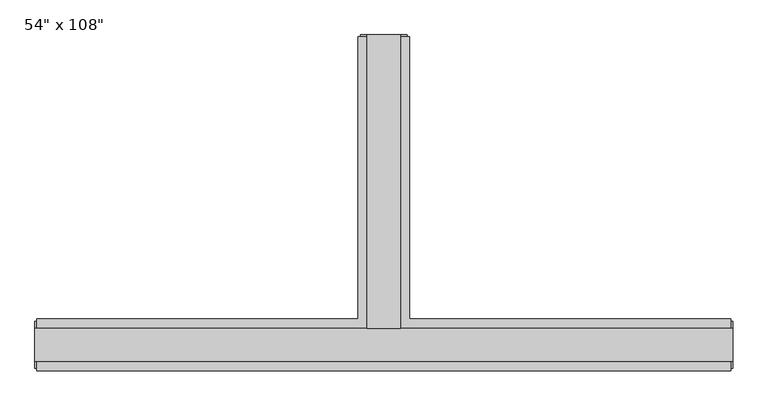
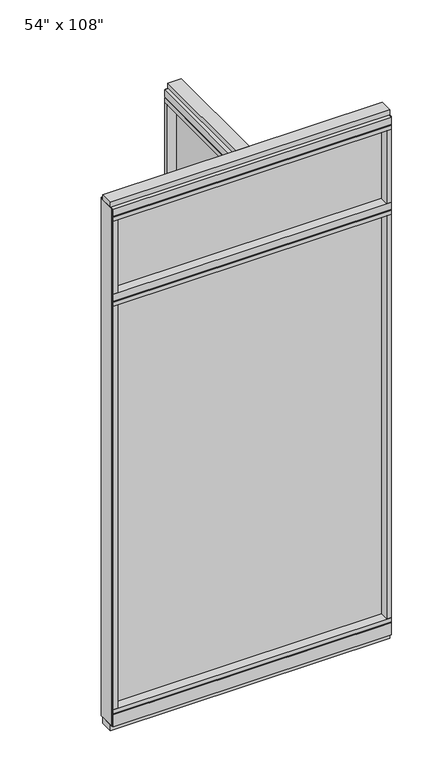
"""IFC4 building model written with IfcOpenShell, lengths in millimetres: furniture geometry."""

from ifc_helpers import new_model, si_unit, frame, origin, origin_with_axes, place, context, project, spatial, polyline, outline, extrude, faceted_brep, source, transform, mapped, element, save


def furniture_a7787f1a(model_context):
    return source(origin(), model_context, "Body", "SolidModel", [
        extrude(outline(polyline([(-65.1165229, 0.5622784), (-65.1165229, 578.9202784), (-54.9565229, 578.9202784), (-54.9565229, 0.5622784), (-65.1165229, 0.5622784)])), frame((0.0, 0.0, 2276.475), z_axis=(0.0, 0.0, 1.0), x_axis=(1.0, 0.0, 0.0)), (0.0, 0.0, 1.0), 355.6),
        extrude(outline(polyline([(599.6014771, -9.5977216), (-719.6745229, -9.5977216), (-719.6745229, 0.5622784), (599.6014771, 0.5622784), (599.6014771, -9.5977216)])), frame((0.0, 0.0, 2276.475), z_axis=(0.0, 0.0, 1.0), x_axis=(1.0, 0.0, 0.0)), (0.0, 0.0, 1.0), 355.6),
        extrude(outline(polyline([(-65.1165229, 0.5622784), (-65.1165229, 578.9202784), (-54.9565229, 578.9202784), (-54.9565229, 0.5622784), (-65.1165229, 0.5622784)])), frame((0.0, 0.0, 120.65), z_axis=(0.0, 0.0, 1.0), x_axis=(1.0, 0.0, 0.0)), (0.0, 0.0, 1.0), 2114.677),
        extrude(outline(polyline([(599.6014771, -9.5977216), (-719.6745229, -9.5977216), (-719.6745229, 0.5622784), (599.6014771, 0.5622784), (599.6014771, -9.5977216)])), frame((0.0, 0.0, 120.523), z_axis=(0.0, 0.0, 1.0), x_axis=(1.0, 0.0, 0.0)), (0.0, 0.0, 1.0), 2114.677),
        extrude(outline(polyline([(-110.8365229, 601.1452784), (-9.2365229, 601.1452784), (-9.2365229, 46.2822784), (621.8264771, 46.2822784), (621.8264771, -55.3177216), (-741.8995229, -55.3177216), (-741.8995229, 46.2822784), (-110.8365229, 46.2822784), (-110.8365229, 601.1452784)])), frame((0.0, 0.0, 2654.3), z_axis=(0.0, 0.0, 1.0), x_axis=(1.0, 0.0, 0.0)), (0.0, 0.0, 1.0), 22.225),
        faceted_brep([(-105.8835229, 46.2822784, 2681.478), (-105.8835229, 46.2822784, 2676.525), (-14.1895229, 46.2822784, 2676.525), (-14.1895229, 46.2822784, 2681.478), (-9.2365229, 601.1452784, 2681.478), (-14.1895229, 601.1452784, 2681.478), (-14.1895229, 601.1452784, 2676.525), (-105.8835229, 601.1452784, 2676.525), (-105.8835229, 601.1452784, 2681.478), (-110.8365229, 601.1452784, 2681.478), (-110.8365229, 601.1452784, 2717.8), (-9.2365229, 601.1452784, 2717.8), (-9.2365229, 46.2822784, 2681.478), (621.8264771, 46.2822784, 2681.478), (621.8264771, 41.3292784, 2681.478), (-741.8995229, 41.3292784, 2681.478), (-741.8995229, 46.2822784, 2681.478), (-110.8365229, 46.2822784, 2681.478), (-110.8365229, 46.2822784, 2717.8), (-741.8995229, 46.2822784, 2717.8), (-741.8995229, -55.3177216, 2717.8), (621.8264771, -55.3177216, 2717.8), (621.8264771, 46.2822784, 2717.8), (-9.2365229, 46.2822784, 2717.8), (-741.8995229, -55.3177216, 2681.478), (-741.8995229, 41.3292784, 2676.525), (-741.8995229, -50.3647216, 2676.525), (-741.8995229, -50.3647216, 2681.478), (621.8264771, -55.3177216, 2681.478), (621.8264771, -50.3647216, 2681.478), (621.8264771, -50.3647216, 2676.525), (621.8264771, 41.3292784, 2676.525)], [[[0, 1, 2, 3]], [[4, 5, 6, 7, 8, 9, 10, 11]], [[5, 4, 12, 13, 14, 15, 16, 17, 9, 8, 0, 3]], [[3, 2, 6, 5]], [[2, 1, 7, 6]], [[1, 0, 8, 7]], [[10, 9, 17, 18]], [[11, 10, 18, 19, 20, 21, 22, 23]], [[4, 11, 23, 12]], [[24, 20, 19, 16, 15, 25, 26, 27]], [[28, 29, 30, 31, 14, 13, 22, 21]], [[24, 27, 29, 28]], [[16, 19, 18, 17]], [[22, 13, 12, 23]], [[20, 24, 28, 21]], [[25, 15, 14, 31]], [[26, 25, 31, 30]], [[27, 26, 30, 29]]]),
        extrude(outline(polyline([(-110.8365229, 601.1452784), (-9.2365229, 601.1452784), (-9.2365229, 46.2822784), (621.8264771, 46.2822784), (621.8264771, -55.3177216), (-741.8995229, -55.3177216), (-741.8995229, 46.2822784), (-110.8365229, 46.2822784), (-110.8365229, 601.1452784)])), frame((0.0, 0.0, 2212.975), z_axis=(0.0, 0.0, 1.0), x_axis=(1.0, 0.0, 0.0)), (0.0, 0.0, 1.0), 22.225),
        faceted_brep([(-105.8835229, 46.2822784, 2240.153), (-105.8835229, 46.2822784, 2235.2), (-14.1895229, 46.2822784, 2235.2), (-14.1895229, 46.2822784, 2240.153), (-9.2365229, 601.1452784, 2240.153), (-14.1895229, 601.1452784, 2240.153), (-14.1895229, 601.1452784, 2235.2), (-105.8835229, 601.1452784, 2235.2), (-105.8835229, 601.1452784, 2240.153), (-110.8365229, 601.1452784, 2240.153), (-110.8365229, 601.1452784, 2276.475), (-9.2365229, 601.1452784, 2276.475), (-9.2365229, 46.2822784, 2240.153), (621.8264771, 46.2822784, 2240.153), (621.8264771, 41.3292784, 2240.153), (-741.8995229, 41.3292784, 2240.153), (-741.8995229, 46.2822784, 2240.153), (-110.8365229, 46.2822784, 2240.153), (-110.8365229, 46.2822784, 2276.475), (-741.8995229, 46.2822784, 2276.475), (-741.8995229, -55.3177216, 2276.475), (621.8264771, -55.3177216, 2276.475), (621.8264771, 46.2822784, 2276.475), (-9.2365229, 46.2822784, 2276.475), (-741.8995229, -55.3177216, 2240.153), (-741.8995229, 41.3292784, 2235.2), (-741.8995229, -50.3647216, 2235.2), (-741.8995229, -50.3647216, 2240.153), (621.8264771, -55.3177216, 2240.153), (621.8264771, -50.3647216, 2240.153), (621.8264771, -50.3647216, 2235.2), (621.8264771, 41.3292784, 2235.2)], [[[0, 1, 2, 3]], [[4, 5, 6, 7, 8, 9, 10, 11]], [[5, 4, 12, 13, 14, 15, 16, 17, 9, 8, 0, 3]], [[3, 2, 6, 5]], [[2, 1, 7, 6]], [[1, 0, 8, 7]], [[10, 9, 17, 18]], [[11, 10, 18, 19, 20, 21, 22, 23]], [[4, 11, 23, 12]], [[24, 20, 19, 16, 15, 25, 26, 27]], [[28, 29, 30, 31, 14, 13, 22, 21]], [[24, 27, 29, 28]], [[27, 26, 30, 29]], [[26, 25, 31, 30]], [[25, 15, 14, 31]], [[16, 19, 18, 17]], [[22, 13, 12, 23]], [[20, 24, 28, 21]]]),
        faceted_brep([(-14.1895229, 46.2822784, 93.345), (-14.1895229, 46.2822784, 98.298), (-105.8835229, 46.2822784, 98.298), (-105.8835229, 46.2822784, 93.345), (-9.2365229, 601.1452784, 93.345), (-9.2365229, 601.1452784, 31.75), (-110.8365229, 601.1452784, 31.75), (-110.8365229, 601.1452784, 93.345), (-105.8835229, 601.1452784, 93.345), (-105.8835229, 601.1452784, 98.298), (-14.1895229, 601.1452784, 98.298), (-14.1895229, 601.1452784, 93.345), (-110.8365229, 46.2822784, 93.345), (-741.8995229, 46.2822784, 93.345), (-741.8995229, 41.3292784, 93.345), (621.8264771, 41.3292784, 93.345), (621.8264771, 46.2822784, 93.345), (-9.2365229, 46.2822784, 93.345), (-110.8365229, 46.2822784, 31.75), (-9.2365229, 46.2822784, 31.75), (621.8264771, 46.2822784, 31.75), (621.8264771, -55.3177216, 31.75), (-741.8995229, -55.3177216, 31.75), (-741.8995229, 46.2822784, 31.75), (621.8264771, -55.3177216, 93.345), (621.8264771, 41.3292784, 98.298), (621.8264771, -50.3647216, 98.298), (621.8264771, -50.3647216, 93.345), (-741.8995229, -55.3177216, 93.345), (-741.8995229, -50.3647216, 93.345), (-741.8995229, -50.3647216, 98.298), (-741.8995229, 41.3292784, 98.298)], [[[0, 1, 2, 3]], [[4, 5, 6, 7, 8, 9, 10, 11]], [[4, 11, 0, 3, 8, 7, 12, 13, 14, 15, 16, 17]], [[1, 0, 11, 10]], [[2, 1, 10, 9]], [[3, 2, 9, 8]], [[7, 6, 18, 12]], [[6, 5, 19, 20, 21, 22, 23, 18]], [[5, 4, 17, 19]], [[24, 21, 20, 16, 15, 25, 26, 27]], [[28, 29, 30, 31, 14, 13, 23, 22]], [[24, 27, 29, 28]], [[16, 20, 19, 17]], [[23, 13, 12, 18]], [[21, 24, 28, 22]], [[25, 15, 14, 31]], [[26, 25, 31, 30]], [[27, 26, 30, 29]]]),
        extrude(outline(polyline([(-110.8365229, 601.1452784), (-9.2365229, 601.1452784), (-9.2365229, 46.2822784), (621.8264771, 46.2822784), (621.8264771, -55.3177216), (-741.8995229, -55.3177216), (-741.8995229, 46.2822784), (-110.8365229, 46.2822784), (-110.8365229, 601.1452784)])), frame((0.0, 0.0, 98.298), z_axis=(0.0, 0.0, 1.0), x_axis=(1.0, 0.0, 0.0)), (0.0, 0.0, 1.0), 22.225),
        extrude(outline(polyline([(-9.2365229, 601.1452784), (-9.2365229, 578.9202784), (-110.8365229, 578.9202784), (-110.8365229, 601.1452784), (-9.2365229, 601.1452784)])), frame((0.0, 0.0, 2276.475), z_axis=(0.0, 0.0, 1.0), x_axis=(1.0, 0.0, 0.0)), (0.0, 0.0, 1.0), 377.825),
        extrude(outline(polyline([(599.6014771, -55.3177216), (599.6014771, 46.2822784), (621.8264771, 46.2822784), (621.8264771, -55.3177216), (599.6014771, -55.3177216)])), frame((0.0, 0.0, 2276.475), z_axis=(0.0, 0.0, 1.0), x_axis=(1.0, 0.0, 0.0)), (0.0, 0.0, 1.0), 377.825),
        extrude(outline(polyline([(-719.6745229, -55.3177216), (-741.8995229, -55.3177216), (-741.8995229, 46.2822784), (-719.6745229, 46.2822784), (-719.6745229, -55.3177216)])), frame((0.0, 0.0, 2276.475), z_axis=(0.0, 0.0, 1.0), x_axis=(1.0, 0.0, 0.0)), (0.0, 0.0, 1.0), 377.825),
        extrude(outline(polyline([(-27.5245229, 27.9942784), (-92.5485229, 27.9942784), (-92.5485229, 605.0822784), (-27.5245229, 605.0822784), (-27.5245229, 27.9942784)])), origin_with_axes(), (0.0, 0.0, 1.0), 31.75),
        extrude(outline(polyline([(-9.2365229, 601.1452784), (-9.2365229, 578.9202784), (-110.8365229, 578.9202784), (-110.8365229, 601.1452784), (-9.2365229, 601.1452784)])), frame((0.0, 0.0, 120.523), z_axis=(0.0, 0.0, 1.0), x_axis=(1.0, 0.0, 0.0)), (0.0, 0.0, 1.0), 2092.452),
        extrude(outline(polyline([(-14.1895229, 605.0822784), (-14.1895229, 601.1452784), (-105.8835229, 601.1452784), (-105.8835229, 605.0822784), (-14.1895229, 605.0822784)])), frame((0.0, 0.0, 31.75), z_axis=(0.0, 0.0, 1.0), x_axis=(1.0, 0.0, 0.0)), (0.0, 0.0, 1.0), 2686.05),
        extrude(outline(polyline([(-27.5245229, 27.9942784), (-92.5485229, 27.9942784), (-92.5485229, 605.0822784), (-27.5245229, 605.0822784), (-27.5245229, 27.9942784)])), frame((0.0, 0.0, 2717.8), z_axis=(0.0, 0.0, 1.0), x_axis=(1.0, 0.0, 0.0)), (0.0, 0.0, 1.0), 25.4),
        extrude(outline(polyline([(625.7634771, 27.9942784), (625.7634771, -37.0297216), (-745.8365229, -37.0297216), (-745.8365229, 27.9942784), (625.7634771, 27.9942784)])), origin_with_axes(), (0.0, 0.0, 1.0), 31.75),
        extrude(outline(polyline([(-745.8365229, -37.0297216), (-745.8365229, 27.9942784), (625.7634771, 27.9942784), (625.7634771, -37.0297216), (-745.8365229, -37.0297216)])), frame((0.0, 0.0, 2717.8), z_axis=(0.0, 0.0, 1.0), x_axis=(1.0, 0.0, 0.0)), (0.0, 0.0, 1.0), 25.4),
        extrude(outline(polyline([(599.6014771, -55.3177216), (599.6014771, 46.2822784), (621.8264771, 46.2822784), (621.8264771, -55.3177216), (599.6014771, -55.3177216)])), frame((0.0, 0.0, 120.523), z_axis=(0.0, 0.0, 1.0), x_axis=(1.0, 0.0, 0.0)), (0.0, 0.0, 1.0), 2092.452),
        extrude(outline(polyline([(-719.6745229, -55.3177216), (-741.8995229, -55.3177216), (-741.8995229, 46.2822784), (-719.6745229, 46.2822784), (-719.6745229, -55.3177216)])), frame((0.0, 0.0, 120.523), z_axis=(0.0, 0.0, 1.0), x_axis=(1.0, 0.0, 0.0)), (0.0, 0.0, 1.0), 2092.452),
        extrude(outline(polyline([(625.7634771, -50.3647216), (621.8264771, -50.3647216), (621.8264771, 41.3292784), (625.7634771, 41.3292784), (625.7634771, -50.3647216)])), frame((0.0, 0.0, 31.75), z_axis=(0.0, 0.0, 1.0), x_axis=(1.0, 0.0, 0.0)), (0.0, 0.0, 1.0), 2686.05),
        extrude(outline(polyline([(-745.8365229, -50.3647216), (-745.8365229, 41.3292784), (-741.8995229, 41.3292784), (-741.8995229, -50.3647216), (-745.8365229, -50.3647216)])), frame((0.0, 0.0, 31.75), z_axis=(0.0, 0.0, 1.0), x_axis=(1.0, 0.0, 0.0)), (0.0, 0.0, 1.0), 2686.05),
    ])


if __name__ == "__main__":
    model = new_model("IFC4")
    model_context = context("Model", 3, world=origin())
    ifc_project = project(units=[si_unit("LENGTHUNIT", "METRE", prefix="MILLI")], contexts=[model_context])
    site = spatial("IfcSite", under=ifc_project)
    building = spatial("IfcBuilding", under=site)
    placement = place(None, origin())
    furniture_shape = furniture_a7787f1a(model_context)
    element("IfcFurniture", 1, ObjectType="54\" x 108\"", at=placement, inside=building, context=model_context, shape_type="MappedRepresentation", body=[
        mapped(furniture_shape, transform((0.0, 0.0, 0.0), x_axis=(1.0, 0.0, 0.0), y_axis=(0.0, 1.0, 0.0), z_axis=(0.0, 0.0, 1.0))),
    ])
    save(model, "model.ifc")
